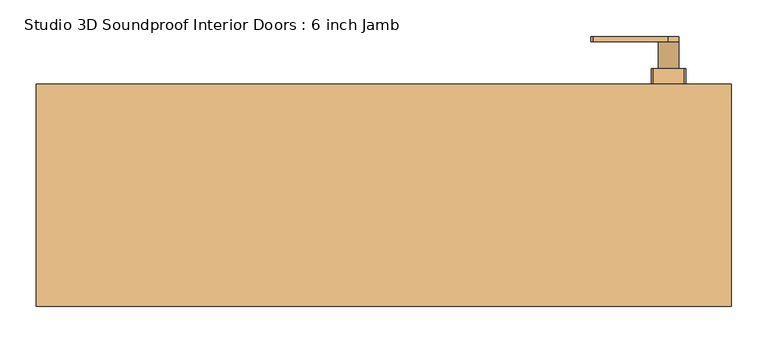
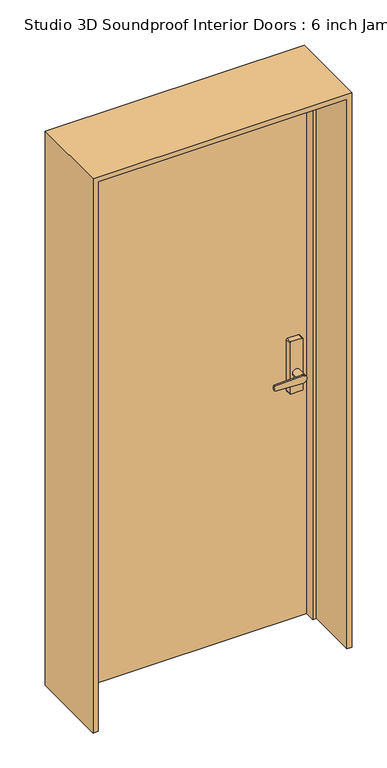
"""IFC4 building model written with IfcOpenShell, lengths in millimetres: door geometry, Studio 3D Soundproof Interior Doors : 6 inch Jamb."""

from ifc_helpers import new_model, si_unit, point, frame, frame_2d, origin, origin_with_axes, place, context, project, spatial, polyline, circle_curve, trimmed, segment, composite_curve, outline, extrude, faceted_brep, source, transform, mapped, element, save


def studio_3d_soundproof_interior_doors_6_inch_jamb_5df07412(model_context):
    return source(origin(), model_context, "Body", "SolidModel", [
        extrude(outline(composite_curve([segment(trimmed(circle_curve(frame_2d((971.3540529, 301.4004793)), 17.2515478), [point((980.8500629, 286.9976429))], [point((961.858043, 286.9976429))], False, "CARTESIAN"), True, "CONTINUOUS"), segment(polyline([(961.858043, 286.9976429), (957.1140902, 390.5562374)]), True, "CONTINUOUS"), segment(trimmed(circle_curve(frame_2d((971.3540529, 390.5282704)), 14.2399902), [point((957.1140902, 390.5562374))], [point((985.5940156, 390.5562374))], False, "CARTESIAN"), True, "CONTINUOUS"), segment(polyline([(985.5940156, 390.5562374), (980.8500629, 286.9976429)]), True, "CONTINUOUS")], self_intersect=False)), frame((0.0, 210.9687888, 0.0), z_axis=(0.0, 1.0, 0.0), x_axis=(0.0, 0.0, 1.0)), (0.0, 0.0, 1.0), 6.9288506),
        extrude(outline(composite_curve([segment(trimmed(circle_curve(frame_2d((971.3540529, 390.5282704)), 14.2399902), [point((971.3540529, 376.2882802))], [point((971.3540529, 404.7682606))], False, "CARTESIAN"), True, "CONTINUOUS"), segment(trimmed(circle_curve(frame_2d((971.3540529, 390.5282704)), 14.2399902), [point((971.3540529, 404.7682606))], [point((971.3540529, 376.2882802))], False, "CARTESIAN"), True, "CONTINUOUS")], self_intersect=False)), frame((0.0, 173.6582345, 0.0), z_axis=(0.0, 1.0, 0.0), x_axis=(0.0, 0.0, 1.0)), (0.0, 0.0, 1.0), 37.3105543),
        extrude(outline(composite_curve([segment(polyline([(1097.9675189, 411.2261984), (1097.9675189, 369.8238016)]), True, "CONTINUOUS"), segment(trimmed(circle_curve(frame_2d((1094.8021823, 369.8238016)), 3.1653366), [point((1097.9675189, 369.8238016))], [point((1094.8021823, 366.658465))], False, "CARTESIAN"), True, "CONTINUOUS"), segment(polyline([(1094.8021823, 366.658465), (898.1753792, 366.658465)]), True, "CONTINUOUS"), segment(trimmed(circle_curve(frame_2d((898.1753792, 369.8238016)), 3.1653366), [point((898.1753792, 366.658465))], [point((895.0100425, 369.8238016))], False, "CARTESIAN"), True, "CONTINUOUS"), segment(polyline([(895.0100425, 369.8238016), (895.0100425, 411.2261984)]), True, "CONTINUOUS"), segment(trimmed(circle_curve(frame_2d((898.1753792, 411.2261984)), 3.1653366), [point((895.0100425, 411.2261984))], [point((898.1753792, 414.391535))], False, "CARTESIAN"), True, "CONTINUOUS"), segment(polyline([(898.1753792, 414.391535), (1094.8021823, 414.391535)]), True, "CONTINUOUS"), segment(trimmed(circle_curve(frame_2d((1094.8021823, 411.2261984)), 3.1653366), [point((1094.8021823, 414.391535))], [point((1097.9675189, 411.2261984))], False, "CARTESIAN"), True, "CONTINUOUS")], self_intersect=False)), frame((0.0, 152.4, 0.0), z_axis=(0.0, 1.0, 0.0), x_axis=(0.0, 0.0, 1.0)), (0.0, 0.0, 1.0), 21.2582345),
        extrude(outline(composite_curve([segment(trimmed(circle_curve(frame_2d((971.3540529, 301.4004793)), 17.2515478), [point((980.8500629, 286.9976429))], [point((961.858043, 286.9976429))], False, "CARTESIAN"), True, "CONTINUOUS"), segment(polyline([(961.858043, 286.9976429), (957.1140902, 390.5562374)]), True, "CONTINUOUS"), segment(trimmed(circle_curve(frame_2d((971.3540529, 390.5282704)), 14.2399902), [point((957.1140902, 390.5562374))], [point((985.5940156, 390.5562374))], False, "CARTESIAN"), True, "CONTINUOUS"), segment(polyline([(985.5940156, 390.5562374), (980.8500629, 286.9976429)]), True, "CONTINUOUS")], self_intersect=False)), frame((0.0, 10.0433876, 0.0), z_axis=(0.0, 1.0, 0.0), x_axis=(0.0, 0.0, 1.0)), (0.0, 0.0, 1.0), 6.9288506),
        extrude(outline(composite_curve([segment(trimmed(circle_curve(frame_2d((971.3540529, 390.5282704)), 14.2399902), [point((971.3540529, 376.2882802))], [point((971.3540529, 404.7682606))], False, "CARTESIAN"), True, "CONTINUOUS"), segment(trimmed(circle_curve(frame_2d((971.3540529, 390.5282704)), 14.2399902), [point((971.3540529, 404.7682606))], [point((971.3540529, 376.2882802))], False, "CARTESIAN"), True, "CONTINUOUS")], self_intersect=False)), frame((0.0, 16.9722383, 0.0), z_axis=(0.0, 1.0, 0.0), x_axis=(0.0, 0.0, 1.0)), (0.0, 0.0, 1.0), 37.3105543),
        extrude(outline(composite_curve([segment(polyline([(1097.9675189, 411.2261984), (1097.9675189, 369.8238016)]), True, "CONTINUOUS"), segment(trimmed(circle_curve(frame_2d((1094.8021823, 369.8238016)), 3.1653366), [point((1097.9675189, 369.8238016))], [point((1094.8021823, 366.658465))], False, "CARTESIAN"), True, "CONTINUOUS"), segment(polyline([(1094.8021823, 366.658465), (898.1753792, 366.658465)]), True, "CONTINUOUS"), segment(trimmed(circle_curve(frame_2d((898.1753792, 369.8238016)), 3.1653366), [point((898.1753792, 366.658465))], [point((895.0100425, 369.8238016))], False, "CARTESIAN"), True, "CONTINUOUS"), segment(polyline([(895.0100425, 369.8238016), (895.0100425, 411.2261984)]), True, "CONTINUOUS"), segment(trimmed(circle_curve(frame_2d((898.1753792, 411.2261984)), 3.1653366), [point((895.0100425, 411.2261984))], [point((898.1753792, 414.391535))], False, "CARTESIAN"), True, "CONTINUOUS"), segment(polyline([(898.1753792, 414.391535), (1094.8021823, 414.391535)]), True, "CONTINUOUS"), segment(trimmed(circle_curve(frame_2d((1094.8021823, 411.2261984)), 3.1653366), [point((1094.8021823, 414.391535))], [point((1097.9675189, 411.2261984))], False, "CARTESIAN"), True, "CONTINUOUS")], self_intersect=False)), frame((0.0, 54.2827925, 0.0), z_axis=(0.0, 1.0, 0.0), x_axis=(0.0, 0.0, 1.0)), (0.0, 0.0, 1.0), 21.2582345),
        extrude(outline(polyline([(457.2000762, 80.9623381), (-457.2000762, 80.9623381), (-457.2000762, 152.4), (457.2000762, 152.4), (457.2000762, 80.9623381)])), origin_with_axes(), (0.0, 0.0, 1.0), 2133.8977325),
        faceted_brep([(-476.25, -152.4, 0.0), (-476.25, 152.4, 0.0), (-457.2000762, 152.4, 0.0), (-457.2000762, 80.9623381, 0.0), (-444.4999238, 80.9623381, 0.0), (-444.4999238, 42.8622492, 0.0), (-457.2000176, 42.8622492, 0.0), (-457.2000176, -152.4, 0.0), (-476.25, -152.4, 2152.9476562), (-476.25, 152.4, 2152.9476562), (476.25, 152.4, 2152.9476562), (476.25, 152.4, 0.0), (457.2000762, 152.4, 0.0), (457.2000762, 152.4, 2133.8977325), (-457.2000762, 152.4, 2133.8977325), (-457.2000762, 80.9623381, 2133.8977325), (457.2000762, 80.9623381, 2133.8977325), (457.2000762, 80.9623381, 0.0), (444.4999238, 80.9623381, 0.0), (444.4999238, 80.9623381, 2121.1975801), (-444.4999238, 80.9623381, 2121.1975801), (-444.4999238, 42.8622492, 2121.1975801), (444.4999238, 42.8622492, 2121.1975801), (444.4999238, 42.8622492, 0.0), (457.2000176, 42.8622492, 0.0), (457.2000176, 42.8622492, 2133.8976738), (-457.2000176, 42.8622492, 2133.8976738), (-457.2000176, -152.4, 2133.8976738), (457.2000176, -152.4, 2133.8976738), (457.2000176, -152.4, 0.0), (476.25, -152.4, 0.0), (476.25, -152.4, 2152.9476562)], [[[0, 1, 2, 3, 4, 5, 6, 7]], [[1, 0, 8, 9]], [[2, 1, 9, 10, 11, 12, 13, 14]], [[3, 2, 14, 15]], [[4, 3, 15, 16, 17, 18, 19, 20]], [[5, 4, 20, 21]], [[6, 5, 21, 22, 23, 24, 25, 26]], [[7, 6, 26, 27]], [[0, 7, 27, 28, 29, 30, 31, 8]], [[10, 31, 30, 11]], [[30, 29, 24, 23, 18, 17, 12, 11]], [[16, 13, 12, 17]], [[22, 19, 18, 23]], [[28, 25, 24, 29]], [[9, 8, 31, 10]], [[15, 14, 13, 16]], [[21, 20, 19, 22]], [[27, 26, 25, 28]]]),
    ])


if __name__ == "__main__":
    model = new_model("IFC4")
    model_context = context("Model", 3, world=origin())
    ifc_project = project(units=[si_unit("LENGTHUNIT", "METRE", prefix="MILLI")], contexts=[model_context])
    site = spatial("IfcSite", under=ifc_project)
    building = spatial("IfcBuilding", under=site)
    placement = place(None, origin())
    studio_3d_soundproof_interior_doors_6_inch_jamb_shape = studio_3d_soundproof_interior_doors_6_inch_jamb_5df07412(model_context)
    element("IfcDoor", 1, ObjectType="Studio 3D Soundproof Interior Doors : 6 inch Jamb", at=placement, inside=building, context=model_context, shape_type="MappedRepresentation", body=[
        mapped(studio_3d_soundproof_interior_doors_6_inch_jamb_shape, transform((0.0, 0.0, 0.0), x_axis=(1.0, 0.0, 0.0), y_axis=(0.0, 1.0, 0.0), z_axis=(0.0, 0.0, 1.0))),
    ])
    save(model, "model.ifc")
